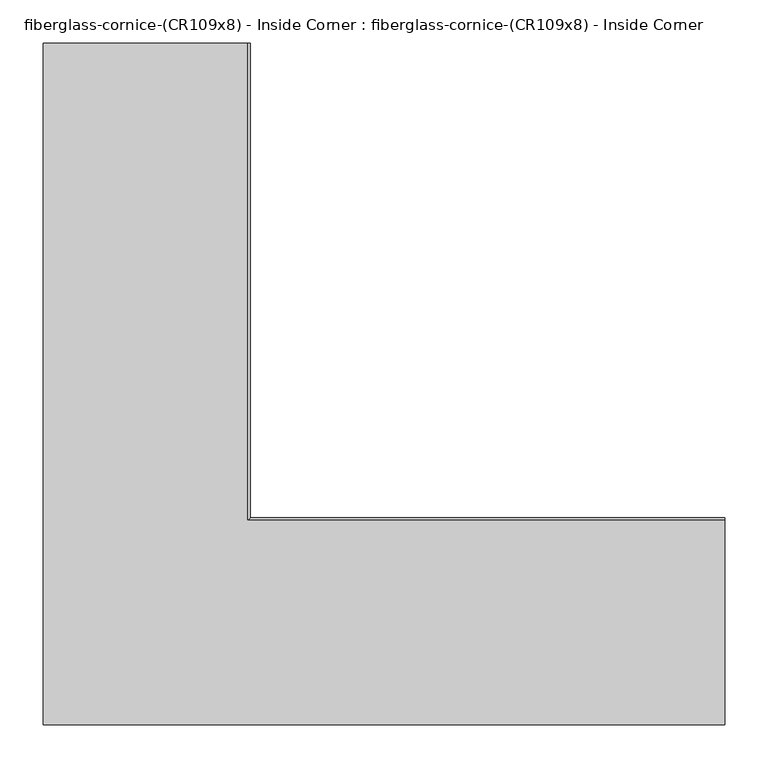
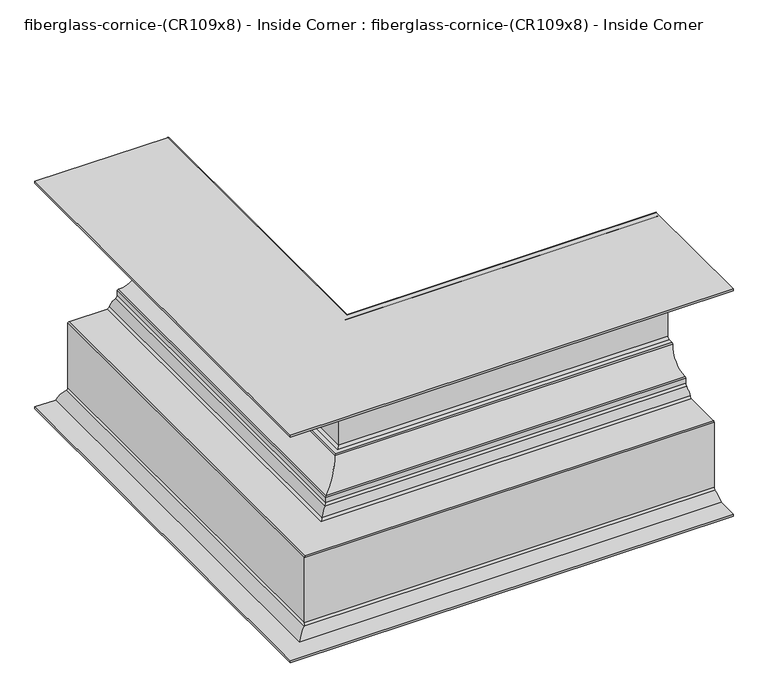
"""IFC4 building model written with IfcOpenShell, lengths in millimetres: furniture geometry, fiberglass-cornice-(CR109x8) - Inside Corner : fiberglass-cornice-(CR109x8) - Inside Corner."""

from ifc_helpers import new_model, si_unit, frame, origin, place, context, project, spatial, polyline, circle_curve, ellipse_curve, source, transform, mapped, element, save
from ifc_brep_helpers import plane_surface, cylinder_surface, revolved_surface, advanced_brep


def fiberglass_cornice_cr109x8_inside_corner_fiberglass_cornice_9822c4e0(model_context):
    return source(origin(), model_context, "Body", "AdvancedBrep", [
        advanced_brep(
        [(-393.6999938, 888.603125, 330.1999904), (-157.7062958, 888.603125, 330.1999904), (-154.5956878, 888.603125, 326.4317504), (-166.230936, 888.603125, 310.4524332), (-178.8666434, 888.603125, 293.0594054), (-182.0019039, 888.603125, 290.3851709), (-186.0485319, 888.603125, 290.3851606), (-189.2316044, 888.603125, 287.2101709), (-189.2317436, 888.603125, 114.5703226), (-192.3998302, 888.603125, 111.4250608), (-200.527539, 888.603125, 111.4250608), (-203.6925758, 888.603125, 108.502199), (-240.9463943, 888.603125, 71.7000635), (-243.9077995, 888.603125, 68.5105201), (-243.9077995, 888.603125, 60.0647517), (-246.506899, 888.603125, 56.9424353), (-258.5869665, 888.603125, 44.5595221), (-261.7225876, 888.603125, 41.8830253), (-326.9179931, 888.603125, 41.8830253), (-330.092778, 888.603125, 38.6710672), (-330.092778, 888.603125, -80.7520933), (-331.6793788, 888.603125, -82.3395923), (-333.8195981, 888.603125, -82.3395923), (-335.4080125, 888.603125, -83.9885744), (-336.8324372, 888.603125, -85.6292824), (-354.1653631, 888.603125, -95.8419813), (-356.7712777, 888.603125, -97.2031914), (-393.6999938, 888.603125, -97.2031914), (-393.6999938, 888.603125, -93.7106914), (-356.9365156, 888.603125, -93.7106914), (-337.7667904, 888.603125, -82.2204248), (-334.9054954, 888.603125, -78.7939943), (-334.9054954, 888.603125, 43.4705205), (-333.0004774, 888.603125, 45.3755253), (-265.4026393, 888.603125, 45.3755297), (-261.2162667, 888.603125, 48.3440768), (-250.2830001, 888.603125, 59.5045897), (-247.4003739, 888.603125, 63.6659613), (-247.4001548, 888.603125, 73.2126254), (-245.4036142, 888.603125, 75.1443007), (-207.0802744, 888.603125, 112.9468366), (-205.1728537, 888.603125, 114.9175502), (-197.1691749, 888.603125, 114.9175502), (-192.7241044, 888.603125, 119.3625536), (-192.7240989, 888.603125, 291.977227), (-190.8238472, 888.603125, 293.877665), (-185.7937477, 888.603125, 293.877665), (-181.5321185, 888.603125, 297.058719), (-167.8665786, 888.603125, 313.5386179), (-161.0335228, 888.603125, 319.778644), (-164.7197777, 888.603125, 326.7075017), (-393.6999938, 888.603125, 326.7075159), (393.6999938, 101.203125, 330.1999904), (393.6999938, 101.203125, 326.7075159), (393.6999938, 330.1831894, 326.7075159), (393.6999938, 333.8695961, 319.778644), (393.6999938, 327.0365403, 313.5386179), (393.6999938, 313.3710003, 297.058719), (393.6999938, 309.1094923, 293.8776709), (393.6999938, 304.0792717, 293.877665), (393.6999938, 302.1790199, 291.977227), (393.6999938, 302.1790199, 119.3625517), (393.6999938, 297.7340145, 114.9175536), (393.6999938, 289.7302652, 114.9175502), (393.6999938, 287.8228445, 112.9468366), (393.6999938, 249.4995046, 75.1443007), (393.6999938, 247.502964, 73.2126254), (393.6999938, 247.502964, 63.66596), (393.6999938, 244.6201188, 59.5045897), (393.6999938, 233.6868521, 48.3440768), (393.6999938, 229.5004796, 45.3755297), (393.6999938, 161.9025879, 45.3755297), (393.6999938, 159.9976415, 43.4705253), (393.6999938, 159.9976234, -78.7939943), (393.6999938, 157.1363285, -82.2204248), (393.6999938, 137.9666032, -93.7106914), (393.6999938, 101.203125, -93.7106914), (393.6999938, 101.203125, -97.2031914), (393.6999938, 138.1318412, -97.2031914), (393.6999938, 140.7377558, -95.8419813), (393.6999938, 158.0706816, -85.6292824), (393.6999938, 159.4951064, -83.9885744), (393.6999938, 161.0835207, -82.3395923), (393.6999938, 163.2237401, -82.3395923), (393.6999938, 164.8101258, -80.7520927), (393.6999938, 164.8103409, 38.6710672), (393.6999938, 167.9851258, 41.8830253), (393.6999938, 233.1805313, 41.8830253), (393.6999938, 236.3161523, 44.5595221), (393.6999938, 248.3962199, 56.9424353), (393.6999938, 250.995245, 60.0647546), (393.6999938, 250.9953194, 68.5105201), (393.6999938, 253.9567245, 71.7000635), (393.6999938, 291.2105431, 108.502199), (393.6999938, 294.3755151, 111.4250536), (393.6999938, 302.5032886, 111.4250608), (393.6999938, 305.6713753, 114.5703226), (393.6999938, 305.6713753, 287.2101702), (393.6999938, 308.854587, 290.3851606), (393.6999938, 312.9011803, 290.3851606), (393.6999938, 316.0364755, 293.0594054), (393.6999938, 328.6721828, 310.4524332), (393.6999938, 340.307431, 326.4317504), (393.6999938, 337.1968231, 330.1999904), (-393.6999938, 101.203125, 330.1999904), (-157.7062958, 337.1968231, 330.1999904), (-154.5956878, 340.307431, 326.4317504), (-166.230936, 328.6721828, 310.4524332), (-178.8666434, 316.0364755, 293.0594054), (-182.0019039, 312.9012149, 290.3851709), (-186.0485319, 308.854587, 290.3851606), (-189.2316044, 305.6715145, 287.2101709), (-189.2317436, 305.6713753, 114.5703226), (-192.3998302, 302.5032886, 111.4250608), (-200.5276038, 294.3755151, 111.4250608), (-203.6925758, 291.2105431, 108.502199), (-240.9463943, 253.9567245, 71.7000635), (-243.9077995, 250.9953194, 68.5105201), (-243.9077995, 250.9953194, 60.0647517), (-246.506899, 248.3962199, 56.9424353), (-258.5869665, 236.3161523, 44.5595221), (-261.7225876, 233.1805313, 41.8830253), (-326.9179931, 167.9851258, 41.8830253), (-330.092778, 164.8103409, 38.6710672), (-330.092778, 164.8103409, -80.7520933), (-331.6793788, 163.2237401, -82.3395923), (-333.8195981, 161.0835207, -82.3395923), (-335.4080125, 159.4951064, -83.9885744), (-336.8324372, 158.0706816, -85.6292824), (-354.1653631, 140.7377558, -95.8419813), (-356.7712777, 138.1318412, -97.2031914), (-393.6999938, 101.203125, -97.2031914), (-393.6999938, 101.203125, -93.7106914), (-356.9365156, 137.9666032, -93.7106914), (-337.7667904, 157.1363285, -82.2204248), (-334.9054954, 159.9976234, -78.7939943), (-334.9054954, 159.9976234, 43.4705205), (-333.0004774, 161.9026415, 45.3755253), (-265.4026393, 229.5004796, 45.3755297), (-261.2162667, 233.6868521, 48.3440768), (-250.2830001, 244.6201188, 59.5045897), (-247.4003739, 247.502745, 63.6659613), (-247.4001548, 247.502964, 73.2126254), (-245.4036142, 249.4995046, 75.1443007), (-207.0802744, 287.8228445, 112.9468366), (-205.1728537, 289.7302652, 114.9175502), (-197.1691044, 297.7340145, 114.9175502), (-192.7241044, 302.1790145, 119.3625536), (-192.7240989, 302.1790199, 291.977227), (-190.8238472, 304.0792717, 293.877665), (-185.7936266, 309.1094923, 293.877665), (-181.5321185, 313.3710003, 297.058719), (-167.8665786, 327.0365403, 313.5386179), (-161.0335228, 333.8695961, 319.778644), (-164.7197777, 330.1833411, 326.7075017), (-393.6999938, 101.203125, 326.7075159)],
        [
            (0, 1),
            (1, 2, circle_curve(frame((-157.7147707, 888.603125, 327.0250017), z_axis=(0.0, 1.0, 0.0), x_axis=(1.0, 0.0, 0.0)), 3.175)),
            (2, 3, circle_curve(frame((-177.3224682, 888.603125, 330.754397), z_axis=(0.0, 1.0, 0.0), x_axis=(1.0, 0.0, 0.0)), 23.1342132)),
            (3, 4, circle_curve(frame((-155.4240919, 888.603125, 289.3151486), z_axis=(0.0, -1.0, 0.0), x_axis=(1.0, 0.0, 0.0)), 23.7396857)),
            (4, 5, circle_curve(frame((-182.0019039, 888.603125, 293.5601709), z_axis=(0.0, 1.0, 0.0), x_axis=(1.0, 0.0, 0.0)), 3.175)),
            (5, 6),
            (6, 7, circle_curve(frame((-186.0566044, 888.603125, 287.2101709), z_axis=(0.0, -1.0, 0.0), x_axis=(1.0, 0.0, 0.0)), 3.175)),
            (7, 8),
            (8, 9, circle_curve(frame((-192.4066044, 888.603125, 114.6000536), z_axis=(0.0, 1.0, 0.0), x_axis=(1.0, 0.0, 0.0)), 3.175)),
            (9, 10),
            (10, 11, circle_curve(frame((-200.5276038, 888.603125, 108.2500536), z_axis=(0.0, -1.0, 0.0), x_axis=(1.0, 0.0, 0.0)), 3.175)),
            (11, 12, circle_curve(frame((-243.6414928, 888.603125, 111.6848301), z_axis=(0.0, 1.0, 0.0), x_axis=(1.0, 0.0, 0.0)), 40.0754927)),
            (12, 13, circle_curve(frame((-240.7328739, 888.603125, 68.5322513), z_axis=(0.0, -1.0, 0.0), x_axis=(1.0, 0.0, 0.0)), 3.175)),
            (13, 14),
            (14, 15, circle_curve(frame((-247.0828739, 888.603125, 60.0647546), z_axis=(0.0, 1.0, 0.0), x_axis=(1.0, 0.0, 0.0)), 3.175)),
            (15, 16, circle_curve(frame((-243.7886267, 888.603125, 42.2068722), z_axis=(0.0, -1.0, 0.0), x_axis=(1.0, 0.0, 0.0)), 14.9841858)),
            (16, 17, circle_curve(frame((-261.7225876, 888.603125, 45.0580253), z_axis=(0.0, 1.0, 0.0), x_axis=(1.0, 0.0, 0.0)), 3.175)),
            (17, 18),
            (18, 19, circle_curve(frame((-326.9179931, 888.603125, 38.7080253), z_axis=(0.0, -1.0, 0.0), x_axis=(1.0, 0.0, 0.0)), 3.175)),
            (19, 20),
            (20, 21, circle_curve(frame((-331.6804931, 888.603125, -80.7520927), z_axis=(0.0, 1.0, 0.0), x_axis=(1.0, 0.0, 0.0)), 1.5875)),
            (21, 22),
            (22, 23, circle_curve(frame((-333.8217036, 888.603125, -83.9270909), z_axis=(0.0, -1.0, 0.0), x_axis=(1.0, 0.0, 0.0)), 1.5875)),
            (23, 24, circle_curve(frame((-336.9943214, 888.603125, -84.050058), z_axis=(0.0, 1.0, 0.0), x_axis=(1.0, 0.0, 0.0)), 1.5875)),
            (24, 25, circle_curve(frame((-334.373413, 888.603125, -109.6177358), z_axis=(0.0, -1.0, 0.0), x_axis=(1.0, 0.0, 0.0)), 24.1141597)),
            (25, 26, circle_curve(frame((-356.7712777, 888.603125, -94.0281914), z_axis=(0.0, 1.0, 0.0), x_axis=(1.0, 0.0, 0.0)), 3.175)),
            (26, 27),
            (27, 28),
            (28, 29),
            (29, 30, circle_curve(frame((-334.373413, 888.603125, -109.6177358), z_axis=(0.0, 1.0, 0.0), x_axis=(1.0, 0.0, 0.0)), 27.6066597)),
            (30, 31, circle_curve(frame((-338.4011808, 888.603125, -78.7827671), z_axis=(0.0, -1.0, 0.0), x_axis=(1.0, 0.0, 0.0)), 3.4957034)),
            (31, 32),
            (32, 33, circle_curve(frame((-333.0004774, 888.603125, 43.4705253), z_axis=(0.0, 1.0, 0.0), x_axis=(1.0, 0.0, 0.0)), 1.905)),
            (33, 34),
            (34, 35, circle_curve(frame((-265.4088942, 888.603125, 49.8205253), z_axis=(0.0, -1.0, 0.0), x_axis=(1.0, 0.0, 0.0)), 4.445)),
            (35, 36, circle_curve(frame((-243.7886267, 888.603125, 42.2068722), z_axis=(0.0, 1.0, 0.0), x_axis=(1.0, 0.0, 0.0)), 18.4766858)),
            (36, 37, circle_curve(frame((-251.8453739, 888.603125, 63.6659613), z_axis=(0.0, -1.0, 0.0), x_axis=(1.0, 0.0, 0.0)), 4.445)),
            (37, 38),
            (38, 39, circle_curve(frame((-245.4953739, 888.603125, 73.2415119), z_axis=(0.0, 1.0, 0.0), x_axis=(1.0, 0.0, 0.0)), 1.905)),
            (39, 40, circle_curve(frame((-243.6414928, 888.603125, 111.6848301), z_axis=(0.0, -1.0, 0.0), x_axis=(1.0, 0.0, 0.0)), 36.5829927)),
            (40, 41, circle_curve(frame((-205.1764082, 888.603125, 113.0125536), z_axis=(0.0, 1.0, 0.0), x_axis=(1.0, 0.0, 0.0)), 1.905)),
            (41, 42),
            (42, 43, circle_curve(frame((-197.1691044, 888.603125, 119.3625536), z_axis=(0.0, -1.0, 0.0), x_axis=(1.0, 0.0, 0.0)), 4.445)),
            (43, 44),
            (44, 45, circle_curve(frame((-190.8191044, 888.603125, 291.9726709), z_axis=(0.0, 1.0, 0.0), x_axis=(1.0, 0.0, 0.0)), 1.905)),
            (45, 46),
            (46, 47, circle_curve(frame((-185.7936266, 888.603125, 298.3226709), z_axis=(0.0, -1.0, 0.0), x_axis=(1.0, 0.0, 0.0)), 4.445)),
            (47, 48, circle_curve(frame((-155.4240919, 888.603125, 289.3151486), z_axis=(0.0, 1.0, 0.0), x_axis=(1.0, 0.0, 0.0)), 27.2321857)),
            (48, 49, circle_curve(frame((-177.3224682, 888.603125, 330.754397), z_axis=(0.0, -1.0, 0.0), x_axis=(1.0, 0.0, 0.0)), 19.6417132)),
            (49, 50, circle_curve(frame((-164.7197777, 888.603125, 322.2625017), z_axis=(0.0, -1.0, 0.0), x_axis=(1.0, 0.0, 0.0)), 4.445)),
            (50, 51),
            (51, 0),
            (52, 53),
            (53, 54),
            (54, 55, circle_curve(frame((393.6999938, 330.1833411, 322.2625017), z_axis=(-1.0, 0.0, 0.0), x_axis=(0.0, 1.0, 0.0)), 4.445)),
            (55, 56, circle_curve(frame((393.6999938, 317.5806506, 330.754397), z_axis=(-1.0, 0.0, 0.0), x_axis=(0.0, 1.0, 0.0)), 19.6417132)),
            (56, 57, circle_curve(frame((393.6999938, 339.4790269, 289.3151486), z_axis=(1.0, 0.0, 0.0), x_axis=(0.0, 1.0, 0.0)), 27.2321857)),
            (57, 58, circle_curve(frame((393.6999938, 309.1094923, 298.3226709), z_axis=(-1.0, 0.0, 0.0), x_axis=(0.0, 1.0, 0.0)), 4.445)),
            (58, 59),
            (59, 60, circle_curve(frame((393.6999938, 304.0840145, 291.9726709), z_axis=(1.0, 0.0, 0.0), x_axis=(0.0, 1.0, 0.0)), 1.905)),
            (60, 61),
            (61, 62, circle_curve(frame((393.6999938, 297.7340145, 119.3625536), z_axis=(-1.0, 0.0, 0.0), x_axis=(0.0, 1.0, 0.0)), 4.445)),
            (62, 63),
            (63, 64, circle_curve(frame((393.6999938, 289.7267106, 113.0125536), z_axis=(1.0, 0.0, 0.0), x_axis=(0.0, 1.0, 0.0)), 1.905)),
            (64, 65, circle_curve(frame((393.6999938, 251.261626, 111.6848301), z_axis=(-1.0, 0.0, 0.0), x_axis=(0.0, 1.0, 0.0)), 36.5829927)),
            (65, 66, circle_curve(frame((393.6999938, 249.407745, 73.2415119), z_axis=(1.0, 0.0, 0.0), x_axis=(0.0, 1.0, 0.0)), 1.905)),
            (66, 67),
            (67, 68, circle_curve(frame((393.6999938, 243.057745, 63.6659613), z_axis=(-1.0, 0.0, 0.0), x_axis=(0.0, 1.0, 0.0)), 4.445)),
            (68, 69, circle_curve(frame((393.6999938, 251.1144922, 42.2068722), z_axis=(1.0, 0.0, 0.0), x_axis=(0.0, 1.0, 0.0)), 18.4766858)),
            (69, 70, circle_curve(frame((393.6999938, 229.4942247, 49.8205253), z_axis=(-1.0, 0.0, 0.0), x_axis=(0.0, 1.0, 0.0)), 4.445)),
            (70, 71),
            (71, 72, circle_curve(frame((393.6999938, 161.9026415, 43.4705253), z_axis=(1.0, 0.0, 0.0), x_axis=(0.0, 1.0, 0.0)), 1.905)),
            (72, 73),
            (73, 74, circle_curve(frame((393.6999938, 156.5019381, -78.7827671), z_axis=(-1.0, 0.0, 0.0), x_axis=(0.0, 1.0, 0.0)), 3.4957034)),
            (74, 75, circle_curve(frame((393.6999938, 160.5297058, -109.6177358), z_axis=(1.0, 0.0, 0.0), x_axis=(0.0, 1.0, 0.0)), 27.6066597)),
            (75, 76),
            (76, 77),
            (77, 78),
            (78, 79, circle_curve(frame((393.6999938, 138.1318412, -94.0281914), z_axis=(1.0, 0.0, 0.0), x_axis=(0.0, 1.0, 0.0)), 3.175)),
            (79, 80, circle_curve(frame((393.6999938, 160.5297058, -109.6177358), z_axis=(-1.0, 0.0, 0.0), x_axis=(0.0, 1.0, 0.0)), 24.1141597)),
            (80, 81, circle_curve(frame((393.6999938, 157.9087974, -84.050058), z_axis=(1.0, 0.0, 0.0), x_axis=(0.0, 1.0, 0.0)), 1.5875)),
            (81, 82, circle_curve(frame((393.6999938, 161.0814153, -83.9270909), z_axis=(-1.0, 0.0, 0.0), x_axis=(0.0, 1.0, 0.0)), 1.5875)),
            (82, 83),
            (83, 84, circle_curve(frame((393.6999938, 163.2226258, -80.7520927), z_axis=(1.0, 0.0, 0.0), x_axis=(0.0, 1.0, 0.0)), 1.5875)),
            (84, 85),
            (85, 86, circle_curve(frame((393.6999938, 167.9851258, 38.7080253), z_axis=(-1.0, 0.0, 0.0), x_axis=(0.0, 1.0, 0.0)), 3.175)),
            (86, 87),
            (87, 88, circle_curve(frame((393.6999938, 233.1805313, 45.0580253), z_axis=(1.0, 0.0, 0.0), x_axis=(0.0, 1.0, 0.0)), 3.175)),
            (88, 89, circle_curve(frame((393.6999938, 251.1144922, 42.2068722), z_axis=(-1.0, 0.0, 0.0), x_axis=(0.0, 1.0, 0.0)), 14.9841858)),
            (89, 90, circle_curve(frame((393.6999938, 247.820245, 60.0647546), z_axis=(1.0, 0.0, 0.0), x_axis=(0.0, 1.0, 0.0)), 3.175)),
            (90, 91),
            (91, 92, circle_curve(frame((393.6999938, 254.170245, 68.5322513), z_axis=(-1.0, 0.0, 0.0), x_axis=(0.0, 1.0, 0.0)), 3.175)),
            (92, 93, circle_curve(frame((393.6999938, 251.261626, 111.6848301), z_axis=(1.0, 0.0, 0.0), x_axis=(0.0, 1.0, 0.0)), 40.0754927)),
            (93, 94, circle_curve(frame((393.6999938, 294.3755151, 108.2500536), z_axis=(-1.0, 0.0, 0.0), x_axis=(0.0, 1.0, 0.0)), 3.175)),
            (94, 95),
            (95, 96, circle_curve(frame((393.6999938, 302.4965145, 114.6000536), z_axis=(1.0, 0.0, 0.0), x_axis=(0.0, 1.0, 0.0)), 3.175)),
            (96, 97),
            (97, 98, circle_curve(frame((393.6999938, 308.8465145, 287.2101709), z_axis=(-1.0, 0.0, 0.0), x_axis=(0.0, 1.0, 0.0)), 3.175)),
            (98, 99),
            (99, 100, circle_curve(frame((393.6999938, 312.9012149, 293.5601709), z_axis=(1.0, 0.0, 0.0), x_axis=(0.0, 1.0, 0.0)), 3.175)),
            (100, 101, circle_curve(frame((393.6999938, 339.4790269, 289.3151486), z_axis=(-1.0, 0.0, 0.0), x_axis=(0.0, 1.0, 0.0)), 23.7396857)),
            (101, 102, circle_curve(frame((393.6999938, 317.5806506, 330.754397), z_axis=(1.0, 0.0, 0.0), x_axis=(0.0, 1.0, 0.0)), 23.1342132)),
            (102, 103, circle_curve(frame((393.6999938, 337.1883482, 327.0250017), z_axis=(1.0, 0.0, 0.0), x_axis=(0.0, 1.0, 0.0)), 3.175)),
            (103, 52),
            (0, 104),
            (104, 52),
            (103, 105),
            (105, 1),
            (105, 106, ellipse_curve(frame((-157.7147707, 337.1883482, 327.0250017), z_axis=(-0.7071067811865475, 0.7071067811865475, 0.0), x_axis=(0.7071067811865474, 0.7071067811865476, 0.0)), 4.4901281, 3.175)),
            (106, 2),
            (106, 107, ellipse_curve(frame((-177.3224682, 317.5806506, 330.754397), z_axis=(-0.7071067811865475, 0.7071067811865475, 0.0), x_axis=(0.7071067811865474, 0.7071067811865476, 0.0)), 32.7167181, 23.1342132)),
            (107, 3),
            (107, 108, ellipse_curve(frame((-155.4240919, 339.4790269, 289.3151486), z_axis=(0.7071067811865475, -0.7071067811865475, 0.0), x_axis=(-0.7071067811865474, -0.7071067811865476, 0.0)), 33.5729855, 23.7396857)),
            (108, 4),
            (108, 109, ellipse_curve(frame((-182.0019039, 312.9012149, 293.5601709), z_axis=(-0.7071067811865475, 0.7071067811865475, 0.0), x_axis=(0.7071067811865474, 0.7071067811865476, 0.0)), 4.4901281, 3.175)),
            (109, 5),
            (109, 99),
            (98, 110),
            (110, 6),
            (110, 111, ellipse_curve(frame((-186.0566044, 308.8465145, 287.2101709), z_axis=(0.7071067811865475, -0.7071067811865475, 0.0), x_axis=(-0.7071067811865474, -0.7071067811865476, 0.0)), 4.4901281, 3.175)),
            (111, 7),
            (111, 112),
            (112, 8),
            (112, 113, ellipse_curve(frame((-192.4066044, 302.4965145, 114.6000536), z_axis=(-0.7071067811865475, 0.7071067811865475, 0.0), x_axis=(0.7071067811865474, 0.7071067811865476, 0.0)), 4.4901281, 3.175)),
            (113, 9),
            (113, 95),
            (94, 114),
            (114, 10),
            (114, 115, ellipse_curve(frame((-200.5276038, 294.3755151, 108.2500536), z_axis=(0.7071067811865475, -0.7071067811865475, 0.0), x_axis=(-0.7071067811865474, -0.7071067811865476, 0.0)), 4.4901281, 3.175)),
            (115, 11),
            (115, 116, ellipse_curve(frame((-243.6414928, 251.261626, 111.6848301), z_axis=(-0.7071067811865475, 0.7071067811865475, 0.0), x_axis=(0.7071067811865474, 0.7071067811865476, 0.0)), 56.6753053, 40.0754927)),
            (116, 12),
            (116, 117, ellipse_curve(frame((-240.7328739, 254.170245, 68.5322513), z_axis=(0.7071067811865475, -0.7071067811865475, 0.0), x_axis=(-0.7071067811865474, -0.7071067811865476, 0.0)), 4.4901281, 3.175)),
            (117, 13),
            (117, 118),
            (118, 14),
            (118, 119, ellipse_curve(frame((-247.0828739, 247.820245, 60.0647546), z_axis=(-0.7071067811865475, 0.7071067811865475, 0.0), x_axis=(0.7071067811865474, 0.7071067811865476, 0.0)), 4.4901281, 3.175)),
            (119, 15),
            (119, 120, ellipse_curve(frame((-243.7886267, 251.1144922, 42.2068722), z_axis=(0.7071067811865475, -0.7071067811865475, 0.0), x_axis=(-0.7071067811865474, -0.7071067811865476, 0.0)), 21.1908387, 14.9841858)),
            (120, 16),
            (120, 121, ellipse_curve(frame((-261.7225876, 233.1805313, 45.0580253), z_axis=(-0.7071067811865475, 0.7071067811865475, 0.0), x_axis=(0.7071067811865474, 0.7071067811865476, 0.0)), 4.4901281, 3.175)),
            (121, 17),
            (121, 87),
            (86, 122),
            (122, 18),
            (122, 123, ellipse_curve(frame((-326.9179931, 167.9851258, 38.7080253), z_axis=(0.7071067811865475, -0.7071067811865475, 0.0), x_axis=(-0.7071067811865474, -0.7071067811865476, 0.0)), 4.4901281, 3.175)),
            (123, 19),
            (123, 124),
            (124, 20),
            (124, 125, ellipse_curve(frame((-331.6804931, 163.2226258, -80.7520927), z_axis=(-0.7071067811865475, 0.7071067811865475, 0.0), x_axis=(0.7071067811865474, 0.7071067811865476, 0.0)), 2.245064, 1.5875)),
            (125, 21),
            (125, 83),
            (82, 126),
            (126, 22),
            (126, 127, ellipse_curve(frame((-333.8217036, 161.0814153, -83.9270909), z_axis=(0.7071067811865475, -0.7071067811865475, 0.0), x_axis=(-0.7071067811865474, -0.7071067811865476, 0.0)), 2.245064, 1.5875)),
            (127, 23),
            (127, 128, ellipse_curve(frame((-336.9943214, 157.9087974, -84.050058), z_axis=(-0.7071067811865475, 0.7071067811865475, 0.0), x_axis=(0.7071067811865474, 0.7071067811865476, 0.0)), 2.245064, 1.5875)),
            (128, 24),
            (128, 129, ellipse_curve(frame((-334.373413, 160.5297058, -109.6177358), z_axis=(0.7071067811865475, -0.7071067811865475, 0.0), x_axis=(-0.7071067811865474, -0.7071067811865476, 0.0)), 34.1025717, 24.1141597)),
            (129, 25),
            (129, 130, ellipse_curve(frame((-356.7712777, 138.1318412, -94.0281914), z_axis=(-0.7071067811865475, 0.7071067811865475, 0.0), x_axis=(0.7071067811865474, 0.7071067811865476, 0.0)), 4.4901281, 3.175)),
            (130, 26),
            (130, 78),
            (77, 131),
            (131, 27),
            (131, 132),
            (132, 28),
            (132, 76),
            (75, 133),
            (133, 29),
            (133, 134, ellipse_curve(frame((-334.373413, 160.5297058, -109.6177358), z_axis=(-0.7071067811865475, 0.7071067811865475, 0.0), x_axis=(0.7071067811865474, 0.7071067811865476, 0.0)), 39.0417125, 27.6066597)),
            (134, 30),
            (134, 135, ellipse_curve(frame((-338.4011808, 156.5019381, -78.7827671), z_axis=(0.7071067811865475, -0.7071067811865475, 0.0), x_axis=(-0.7071067811865474, -0.7071067811865476, 0.0)), 4.9436711, 3.4957034)),
            (135, 31),
            (135, 136),
            (136, 32),
            (136, 137, ellipse_curve(frame((-333.0004774, 161.9026415, 43.4705253), z_axis=(-0.7071067811865475, 0.7071067811865475, 0.0), x_axis=(0.7071067811865474, 0.7071067811865476, 0.0)), 2.6940768, 1.905)),
            (137, 33),
            (137, 71),
            (70, 138),
            (138, 34),
            (138, 139, ellipse_curve(frame((-265.4088942, 229.4942247, 49.8205253), z_axis=(0.7071067811865475, -0.7071067811865475, 0.0), x_axis=(-0.7071067811865474, -0.7071067811865476, 0.0)), 6.2861793, 4.445)),
            (139, 35),
            (139, 140, ellipse_curve(frame((-243.7886267, 251.1144922, 42.2068722), z_axis=(-0.7071067811865475, 0.7071067811865475, 0.0), x_axis=(0.7071067811865474, 0.7071067811865476, 0.0)), 26.1299796, 18.4766858)),
            (140, 36),
            (140, 141, ellipse_curve(frame((-251.8453739, 243.057745, 63.6659613), z_axis=(0.7071067811865475, -0.7071067811865475, 0.0), x_axis=(-0.7071067811865474, -0.7071067811865476, 0.0)), 6.2861793, 4.445)),
            (141, 37),
            (141, 142),
            (142, 38),
            (142, 143, ellipse_curve(frame((-245.4953739, 249.407745, 73.2415119), z_axis=(-0.7071067811865475, 0.7071067811865475, 0.0), x_axis=(0.7071067811865474, 0.7071067811865476, 0.0)), 2.6940768, 1.905)),
            (143, 39),
            (143, 144, ellipse_curve(frame((-243.6414928, 251.261626, 111.6848301), z_axis=(0.7071067811865475, -0.7071067811865475, 0.0), x_axis=(-0.7071067811865474, -0.7071067811865476, 0.0)), 51.7361644, 36.5829927)),
            (144, 40),
            (144, 145, ellipse_curve(frame((-205.1764082, 289.7267106, 113.0125536), z_axis=(-0.7071067811865475, 0.7071067811865475, 0.0), x_axis=(0.7071067811865474, 0.7071067811865476, 0.0)), 2.6940768, 1.905)),
            (145, 41),
            (145, 63),
            (62, 146),
            (146, 42),
            (146, 147, ellipse_curve(frame((-197.1691044, 297.7340145, 119.3625536), z_axis=(0.7071067811865475, -0.7071067811865475, 0.0), x_axis=(-0.7071067811865474, -0.7071067811865476, 0.0)), 6.2861793, 4.445)),
            (147, 43),
            (147, 148),
            (148, 44),
            (148, 149, ellipse_curve(frame((-190.8191044, 304.0840145, 291.9726709), z_axis=(-0.7071067811865475, 0.7071067811865475, 0.0), x_axis=(0.7071067811865474, 0.7071067811865476, 0.0)), 2.6940768, 1.905)),
            (149, 45),
            (149, 59),
            (58, 150),
            (150, 46),
            (150, 151, ellipse_curve(frame((-185.7936266, 309.1094923, 298.3226709), z_axis=(0.7071067811865475, -0.7071067811865475, 0.0), x_axis=(-0.7071067811865474, -0.7071067811865476, 0.0)), 6.2861793, 4.445)),
            (151, 47),
            (151, 152, ellipse_curve(frame((-155.4240919, 339.4790269, 289.3151486), z_axis=(-0.7071067811865475, 0.7071067811865475, 0.0), x_axis=(0.7071067811865474, 0.7071067811865476, 0.0)), 38.5121263, 27.2321857)),
            (152, 48),
            (152, 153, ellipse_curve(frame((-177.3224682, 317.5806506, 330.754397), z_axis=(0.7071067811865475, -0.7071067811865475, 0.0), x_axis=(-0.7071067811865474, -0.7071067811865476, 0.0)), 27.7775772, 19.6417132)),
            (153, 49),
            (153, 154, ellipse_curve(frame((-164.7197777, 330.1833411, 322.2625017), z_axis=(0.7071067811865475, -0.7071067811865475, 0.0), x_axis=(-0.7071067811865474, -0.7071067811865476, 0.0)), 6.2861793, 4.445)),
            (154, 50),
            (154, 54),
            (53, 155),
            (155, 51),
            (155, 104),
            (102, 106),
            (101, 107),
            (100, 108),
            (97, 111),
            (96, 112),
            (93, 115),
            (92, 116),
            (91, 117),
            (90, 118),
            (89, 119),
            (88, 120),
            (85, 123),
            (84, 124),
            (81, 127),
            (80, 128),
            (79, 129),
            (74, 134),
            (73, 135),
            (72, 136),
            (69, 139),
            (68, 140),
            (67, 141),
            (66, 142),
            (65, 143),
            (64, 144),
            (61, 147),
            (60, 148),
            (57, 151),
            (56, 152),
            (55, 153),
        ],
        [
            plane_surface(frame((-393.6999938, 888.603125, 330.1999904), z_axis=(0.0, 1.0, 0.0), x_axis=(0.0, 0.0, 1.0))),
            plane_surface(frame((393.6999938, 101.203125, 330.1999904), z_axis=(1.0, 0.0, 0.0), x_axis=(0.0, 0.0, 1.0))),
            plane_surface(frame((-393.6999938, 888.603125, 330.1999904), z_axis=(0.0, 0.0, 1.0), x_axis=(0.0, -1.0, 0.0))),
            cylinder_surface(frame((-157.7147707, 888.603125, 327.0250017), z_axis=(0.0, 1.0, 0.0), x_axis=(1.0, 0.0, 0.0)), 3.175),
            cylinder_surface(frame((-177.3224682, 888.603125, 330.754397), z_axis=(0.0, 1.0, 0.0), x_axis=(1.0, 0.0, 0.0)), 23.1342132),
            revolved_surface(polyline([(-131.6844062, 315.7393411882724, 289.3151486), (-131.6844062, 888.603125, 289.3151486)]), (-155.4240919, 888.603125, 289.3151486), (0.0, -1.0, 0.0)),
            cylinder_surface(frame((-182.0019039, 888.603125, 293.5601709), z_axis=(0.0, 1.0, 0.0), x_axis=(1.0, 0.0, 0.0)), 3.175),
            plane_surface(frame((-182.0019386, 888.603125, 290.3851606), z_axis=(0.0, 0.0, -1.0), x_axis=(0.0, -1.0, 0.0))),
            revolved_surface(polyline([(-182.8816044, 305.6715144720937, 287.2101709), (-182.8816044, 888.603125, 287.2101709)]), (-186.0566044, 888.603125, 287.2101709), (0.0, -1.0, 0.0)),
            plane_surface(frame((-189.2317436, 888.603125, 287.2101702), z_axis=(1.0, 0.0, 0.0), x_axis=(0.0, -1.0, 0.0))),
            cylinder_surface(frame((-192.4066044, 888.603125, 114.6000536), z_axis=(0.0, 1.0, 0.0), x_axis=(1.0, 0.0, 0.0)), 3.175),
            plane_surface(frame((-192.3998302, 888.603125, 111.4250608), z_axis=(0.0, 0.0, -1.0), x_axis=(0.0, -1.0, 0.0))),
            revolved_surface(polyline([(-197.3526038, 291.2005150720936, 108.2500536), (-197.3526038, 888.603125, 108.2500536)]), (-200.5276038, 888.603125, 108.2500536), (0.0, -1.0, 0.0)),
            cylinder_surface(frame((-243.6414928, 888.603125, 111.6848301), z_axis=(0.0, 1.0, 0.0), x_axis=(1.0, 0.0, 0.0)), 40.0754927),
            revolved_surface(polyline([(-237.55787389999998, 250.9952449720937, 68.5322513), (-237.55787389999998, 888.603125, 68.5322513)]), (-240.7328739, 888.603125, 68.5322513), (0.0, -1.0, 0.0)),
            plane_surface(frame((-243.9077995, 888.603125, 68.5105201), z_axis=(1.0, 0.0, 0.0), x_axis=(0.0, -1.0, 0.0))),
            cylinder_surface(frame((-247.0828739, 888.603125, 60.0647546), z_axis=(0.0, 1.0, 0.0), x_axis=(1.0, 0.0, 0.0)), 3.175),
            revolved_surface(polyline([(-228.8044409, 236.1303064561996, 42.2068722), (-228.8044409, 888.603125, 42.2068722)]), (-243.7886267, 888.603125, 42.2068722), (0.0, -1.0, 0.0)),
            cylinder_surface(frame((-261.7225876, 888.603125, 45.0580253), z_axis=(0.0, 1.0, 0.0), x_axis=(1.0, 0.0, 0.0)), 3.175),
            plane_surface(frame((-261.7225876, 888.603125, 41.8830253), z_axis=(0.0, 0.0, -1.0), x_axis=(0.0, -1.0, 0.0))),
            revolved_surface(polyline([(-323.7429931, 164.81012577209367, 38.7080253), (-323.7429931, 888.603125, 38.7080253)]), (-326.9179931, 888.603125, 38.7080253), (0.0, -1.0, 0.0)),
            plane_surface(frame((-330.092778, 888.603125, 38.6710672), z_axis=(1.0, 0.0, 0.0), x_axis=(0.0, -1.0, 0.0))),
            cylinder_surface(frame((-331.6804931, 888.603125, -80.7520927), z_axis=(0.0, 1.0, 0.0), x_axis=(1.0, 0.0, 0.0)), 1.5875),
            plane_surface(frame((-331.6793788, 888.603125, -82.3395923), z_axis=(0.0, 0.0, -1.0), x_axis=(0.0, -1.0, 0.0))),
            revolved_surface(polyline([(-332.2342036, 159.49391532140226, -83.9270909), (-332.2342036, 888.603125, -83.9270909)]), (-333.8217036, 888.603125, -83.9270909), (0.0, -1.0, 0.0)),
            cylinder_surface(frame((-336.9943214, 888.603125, -84.050058), z_axis=(0.0, 1.0, 0.0), x_axis=(1.0, 0.0, 0.0)), 1.5875),
            revolved_surface(polyline([(-310.2592533, 136.41554609502953, -109.6177358), (-310.2592533, 888.603125, -109.6177358)]), (-334.373413, 888.603125, -109.6177358), (0.0, -1.0, 0.0)),
            cylinder_surface(frame((-356.7712777, 888.603125, -94.0281914), z_axis=(0.0, 1.0, 0.0), x_axis=(1.0, 0.0, 0.0)), 3.175),
            plane_surface(frame((-356.7712777, 888.603125, -97.2031914), z_axis=(0.0, 0.0, -1.0), x_axis=(0.0, -1.0, 0.0))),
            plane_surface(frame((-393.6999938, 888.603125, -97.2031914), z_axis=(-1.0, 0.0, 0.0), x_axis=(0.0, -1.0, 0.0))),
            plane_surface(frame((-393.6999938, 888.603125, -93.7106914), z_axis=(0.0, 0.0, 1.0), x_axis=(0.0, -1.0, 0.0))),
            cylinder_surface(frame((-334.373413, 888.603125, -109.6177358), z_axis=(0.0, 1.0, 0.0), x_axis=(1.0, 0.0, 0.0)), 27.6066597),
            revolved_surface(polyline([(-334.9054774, 153.00623474123404, -78.7827671), (-334.9054774, 888.603125, -78.7827671)]), (-338.4011808, 888.603125, -78.7827671), (0.0, -1.0, 0.0)),
            plane_surface(frame((-334.9054954, 888.603125, -78.7939943), z_axis=(-1.0, 0.0, 0.0), x_axis=(0.0, -1.0, 0.0))),
            cylinder_surface(frame((-333.0004774, 888.603125, 43.4705253), z_axis=(0.0, 1.0, 0.0), x_axis=(1.0, 0.0, 0.0)), 1.905),
            plane_surface(frame((-333.000531, 888.603125, 45.3755297), z_axis=(0.0, 0.0, 1.0), x_axis=(0.0, -1.0, 0.0))),
            revolved_surface(polyline([(-260.9638942, 225.04922468921552, 49.8205253), (-260.9638942, 888.603125, 49.8205253)]), (-265.4088942, 888.603125, 49.8205253), (0.0, -1.0, 0.0)),
            cylinder_surface(frame((-243.7886267, 888.603125, 42.2068722), z_axis=(0.0, 1.0, 0.0), x_axis=(1.0, 0.0, 0.0)), 18.4766858),
            revolved_surface(polyline([(-247.4003739, 238.61274498921546, 63.6659613), (-247.4003739, 888.603125, 63.6659613)]), (-251.8453739, 888.603125, 63.6659613), (0.0, -1.0, 0.0)),
            plane_surface(frame((-247.4001548, 888.603125, 63.66596), z_axis=(-1.0, 0.0, 0.0), x_axis=(0.0, -1.0, 0.0))),
            cylinder_surface(frame((-245.4953739, 888.603125, 73.2415119), z_axis=(0.0, 1.0, 0.0), x_axis=(1.0, 0.0, 0.0)), 1.905),
            revolved_surface(polyline([(-207.0585001, 214.67863332017794, 111.6848301), (-207.0585001, 888.603125, 111.6848301)]), (-243.6414928, 888.603125, 111.6848301), (0.0, -1.0, 0.0)),
            cylinder_surface(frame((-205.1764082, 888.603125, 113.0125536), z_axis=(0.0, 1.0, 0.0), x_axis=(1.0, 0.0, 0.0)), 1.905),
            plane_surface(frame((-205.1728537, 888.603125, 114.9175502), z_axis=(0.0, 0.0, 1.0), x_axis=(0.0, -1.0, 0.0))),
            revolved_surface(polyline([(-192.72410440000002, 293.28901448921545, 119.3625536), (-192.72410440000002, 888.603125, 119.3625536)]), (-197.1691044, 888.603125, 119.3625536), (0.0, -1.0, 0.0)),
            plane_surface(frame((-192.7240989, 888.603125, 119.3625517), z_axis=(-1.0, 0.0, 0.0), x_axis=(0.0, -1.0, 0.0))),
            cylinder_surface(frame((-190.8191044, 888.603125, 291.9726709), z_axis=(0.0, 1.0, 0.0), x_axis=(1.0, 0.0, 0.0)), 1.905),
            plane_surface(frame((-190.8238472, 888.603125, 293.877665), z_axis=(0.0, 0.0, 1.0), x_axis=(0.0, -1.0, 0.0))),
            revolved_surface(polyline([(-181.34862660000002, 304.66449228921545, 298.3226709), (-181.34862660000002, 888.603125, 298.3226709)]), (-185.7936266, 888.603125, 298.3226709), (0.0, -1.0, 0.0)),
            cylinder_surface(frame((-155.4240919, 888.603125, 289.3151486), z_axis=(0.0, 1.0, 0.0), x_axis=(1.0, 0.0, 0.0)), 27.2321857),
            revolved_surface(polyline([(-157.680755, 297.93893739694715, 330.754397), (-157.680755, 888.603125, 330.754397)]), (-177.3224682, 888.603125, 330.754397), (0.0, -1.0, 0.0)),
            revolved_surface(polyline([(-160.27477770000002, 325.7383410892155, 322.2625017), (-160.27477770000002, 888.603125, 322.2625017)]), (-164.7197777, 888.603125, 322.2625017), (0.0, -1.0, 0.0)),
            plane_surface(frame((-164.7199295, 888.603125, 326.7075159), z_axis=(0.0, 0.0, -1.0), x_axis=(0.0, -1.0, 0.0))),
            plane_surface(frame((-393.6999938, 888.603125, 326.7075159), z_axis=(-1.0, 0.0, 0.0), x_axis=(0.0, -1.0, 0.0))),
            cylinder_surface(frame((-393.6999938, 337.1883482, 327.0250017), z_axis=(-1.0, 0.0, 0.0), x_axis=(0.0, 1.0, 0.0)), 3.175),
            cylinder_surface(frame((-393.6999938, 317.5806506, 330.754397), z_axis=(-1.0, 0.0, 0.0), x_axis=(0.0, 1.0, 0.0)), 23.1342132),
            revolved_surface(polyline([(393.6999938, 363.2187126, 289.3151486), (-179.16377761172762, 363.2187126, 289.3151486)]), (-393.6999938, 339.4790269, 289.3151486), (1.0, 0.0, 0.0)),
            cylinder_surface(frame((-393.6999938, 312.9012149, 293.5601709), z_axis=(-1.0, 0.0, 0.0), x_axis=(0.0, 1.0, 0.0)), 3.175),
            revolved_surface(polyline([(393.6999938, 312.0215145, 287.2101709), (-189.23160442790626, 312.0215145, 287.2101709)]), (-393.6999938, 308.8465145, 287.2101709), (1.0, 0.0, 0.0)),
            plane_surface(frame((-189.2317436, 305.6713753, 287.2101702), z_axis=(0.0, 1.0, 0.0), x_axis=(1.0, 0.0, 0.0))),
            cylinder_surface(frame((-393.6999938, 302.4965145, 114.6000536), z_axis=(-1.0, 0.0, 0.0), x_axis=(0.0, 1.0, 0.0)), 3.175),
            revolved_surface(polyline([(393.6999938, 297.5505151, 108.2500536), (-203.70260382790627, 297.5505151, 108.2500536)]), (-393.6999938, 294.3755151, 108.2500536), (1.0, 0.0, 0.0)),
            cylinder_surface(frame((-393.6999938, 251.261626, 111.6848301), z_axis=(-1.0, 0.0, 0.0), x_axis=(0.0, 1.0, 0.0)), 40.0754927),
            revolved_surface(polyline([(393.6999938, 257.345245, 68.5322513), (-243.90787392790625, 257.345245, 68.5322513)]), (-393.6999938, 254.170245, 68.5322513), (1.0, 0.0, 0.0)),
            plane_surface(frame((-243.9077995, 250.9953194, 68.5105201), z_axis=(0.0, 1.0, 0.0), x_axis=(1.0, 0.0, 0.0))),
            cylinder_surface(frame((-393.6999938, 247.820245, 60.0647546), z_axis=(-1.0, 0.0, 0.0), x_axis=(0.0, 1.0, 0.0)), 3.175),
            revolved_surface(polyline([(393.6999938, 266.098678, 42.2068722), (-258.7728124438003, 266.098678, 42.2068722)]), (-393.6999938, 251.1144922, 42.2068722), (1.0, 0.0, 0.0)),
            cylinder_surface(frame((-393.6999938, 233.1805313, 45.0580253), z_axis=(-1.0, 0.0, 0.0), x_axis=(0.0, 1.0, 0.0)), 3.175),
            revolved_surface(polyline([(393.6999938, 171.1601258, 38.7080253), (-330.09299312790625, 171.1601258, 38.7080253)]), (-393.6999938, 167.9851258, 38.7080253), (1.0, 0.0, 0.0)),
            plane_surface(frame((-330.092778, 164.8103409, 38.6710672), z_axis=(0.0, 1.0, 0.0), x_axis=(1.0, 0.0, 0.0))),
            cylinder_surface(frame((-393.6999938, 163.2226258, -80.7520927), z_axis=(-1.0, 0.0, 0.0), x_axis=(0.0, 1.0, 0.0)), 1.5875),
            revolved_surface(polyline([(393.6999938, 162.6689153, -83.9270909), (-335.4092035785978, 162.6689153, -83.9270909)]), (-393.6999938, 161.0814153, -83.9270909), (1.0, 0.0, 0.0)),
            cylinder_surface(frame((-393.6999938, 157.9087974, -84.050058), z_axis=(-1.0, 0.0, 0.0), x_axis=(0.0, 1.0, 0.0)), 1.5875),
            revolved_surface(polyline([(393.6999938, 184.64386549999998, -109.6177358), (-358.4875727049705, 184.64386549999998, -109.6177358)]), (-393.6999938, 160.5297058, -109.6177358), (1.0, 0.0, 0.0)),
            cylinder_surface(frame((-393.6999938, 138.1318412, -94.0281914), z_axis=(-1.0, 0.0, 0.0), x_axis=(0.0, 1.0, 0.0)), 3.175),
            plane_surface(frame((-393.6999938, 101.203125, -97.2031914), z_axis=(0.0, -1.0, 0.0), x_axis=(1.0, 0.0, 0.0))),
            cylinder_surface(frame((-393.6999938, 160.5297058, -109.6177358), z_axis=(-1.0, 0.0, 0.0), x_axis=(0.0, 1.0, 0.0)), 27.6066597),
            revolved_surface(polyline([(393.6999938, 159.9976415, -78.7827671), (-341.896884158766, 159.9976415, -78.7827671)]), (-393.6999938, 156.5019381, -78.7827671), (1.0, 0.0, 0.0)),
            plane_surface(frame((-334.9054954, 159.9976234, -78.7939943), z_axis=(0.0, -1.0, 0.0), x_axis=(1.0, 0.0, 0.0))),
            cylinder_surface(frame((-393.6999938, 161.9026415, 43.4705253), z_axis=(-1.0, 0.0, 0.0), x_axis=(0.0, 1.0, 0.0)), 1.905),
            revolved_surface(polyline([(393.6999938, 233.93922469999998, 49.8205253), (-269.8538942107845, 233.93922469999998, 49.8205253)]), (-393.6999938, 229.4942247, 49.8205253), (1.0, 0.0, 0.0)),
            cylinder_surface(frame((-393.6999938, 251.1144922, 42.2068722), z_axis=(-1.0, 0.0, 0.0), x_axis=(0.0, 1.0, 0.0)), 18.4766858),
            revolved_surface(polyline([(393.6999938, 247.502745, 63.6659613), (-256.2903739107845, 247.502745, 63.6659613)]), (-393.6999938, 243.057745, 63.6659613), (1.0, 0.0, 0.0)),
            plane_surface(frame((-247.4001548, 247.502964, 63.66596), z_axis=(0.0, -1.0, 0.0), x_axis=(1.0, 0.0, 0.0))),
            cylinder_surface(frame((-393.6999938, 249.407745, 73.2415119), z_axis=(-1.0, 0.0, 0.0), x_axis=(0.0, 1.0, 0.0)), 1.905),
            revolved_surface(polyline([(393.6999938, 287.8446187, 111.6848301), (-280.2244854798221, 287.8446187, 111.6848301)]), (-393.6999938, 251.261626, 111.6848301), (1.0, 0.0, 0.0)),
            cylinder_surface(frame((-393.6999938, 289.7267106, 113.0125536), z_axis=(-1.0, 0.0, 0.0), x_axis=(0.0, 1.0, 0.0)), 1.905),
            revolved_surface(polyline([(393.6999938, 302.1790145, 119.3625536), (-201.6141044107845, 302.1790145, 119.3625536)]), (-393.6999938, 297.7340145, 119.3625536), (1.0, 0.0, 0.0)),
            plane_surface(frame((-192.7240989, 302.1790199, 119.3625517), z_axis=(0.0, -1.0, 0.0), x_axis=(1.0, 0.0, 0.0))),
            cylinder_surface(frame((-393.6999938, 304.0840145, 291.9726709), z_axis=(-1.0, 0.0, 0.0), x_axis=(0.0, 1.0, 0.0)), 1.905),
            revolved_surface(polyline([(393.6999938, 313.5544923, 298.3226709), (-190.2386266107845, 313.5544923, 298.3226709)]), (-393.6999938, 309.1094923, 298.3226709), (1.0, 0.0, 0.0)),
            cylinder_surface(frame((-393.6999938, 339.4790269, 289.3151486), z_axis=(-1.0, 0.0, 0.0), x_axis=(0.0, 1.0, 0.0)), 27.2321857),
            revolved_surface(polyline([(393.6999938, 337.22236380000004, 330.754397), (-196.96418140305283, 337.22236380000004, 330.754397)]), (-393.6999938, 317.5806506, 330.754397), (1.0, 0.0, 0.0)),
            revolved_surface(polyline([(393.6999938, 334.6283411, 322.2625017), (-169.1647777107845, 334.6283411, 322.2625017)]), (-393.6999938, 330.1833411, 322.2625017), (1.0, 0.0, 0.0)),
            plane_surface(frame((-393.6999938, 101.203125, 326.7075159), z_axis=(0.0, -1.0, 0.0), x_axis=(1.0, 0.0, 0.0))),
        ],
        [
            (0, [[1, 2, 3, 4, 5, 6, 7, 8, 9, 10, 11, 12, 13, 14, 15, 16, 17, 18, 19, 20, 21, 22, 23, 24, 25, 26, 27, 28, 29, 30, 31, 32, 33, 34, 35, 36, 37, 38, 39, 40, 41, 42, 43, 44, 45, 46, 47, 48, 49, 50, 51, 52]]),
            (1, [[53, 54, 55, 56, 57, 58, 59, 60, 61, 62, 63, 64, 65, 66, 67, 68, 69, 70, 71, 72, 73, 74, 75, 76, 77, 78, 79, 80, 81, 82, 83, 84, 85, 86, 87, 88, 89, 90, 91, 92, 93, 94, 95, 96, 97, 98, 99, 100, 101, 102, 103, 104]]),
            (2, [[-1, 105, 106, -104, 107, 108]]),
            (3, [[-2, -108, 109, 110]]),
            (4, [[-3, -110, 111, 112]]),
            (5, [[-4, -112, 113, 114]]),
            (6, [[-5, -114, 115, 116]]),
            (7, [[-6, -116, 117, -99, 118, 119]]),
            (8, [[-7, -119, 120, 121]]),
            (9, [[-8, -121, 122, 123]]),
            (10, [[-9, -123, 124, 125]]),
            (11, [[-10, -125, 126, -95, 127, 128]]),
            (12, [[-11, -128, 129, 130]]),
            (13, [[-12, -130, 131, 132]]),
            (14, [[-13, -132, 133, 134]]),
            (15, [[-14, -134, 135, 136]]),
            (16, [[-15, -136, 137, 138]]),
            (17, [[-16, -138, 139, 140]]),
            (18, [[-17, -140, 141, 142]]),
            (19, [[-18, -142, 143, -87, 144, 145]]),
            (20, [[-19, -145, 146, 147]]),
            (21, [[-20, -147, 148, 149]]),
            (22, [[-21, -149, 150, 151]]),
            (23, [[-22, -151, 152, -83, 153, 154]]),
            (24, [[-23, -154, 155, 156]]),
            (25, [[-24, -156, 157, 158]]),
            (26, [[-25, -158, 159, 160]]),
            (27, [[-26, -160, 161, 162]]),
            (28, [[-27, -162, 163, -78, 164, 165]]),
            (29, [[-28, -165, 166, 167]]),
            (30, [[-29, -167, 168, -76, 169, 170]]),
            (31, [[-30, -170, 171, 172]]),
            (32, [[-31, -172, 173, 174]]),
            (33, [[-32, -174, 175, 176]]),
            (34, [[-33, -176, 177, 178]]),
            (35, [[-34, -178, 179, -71, 180, 181]]),
            (36, [[-35, -181, 182, 183]]),
            (37, [[-36, -183, 184, 185]]),
            (38, [[-37, -185, 186, 187]]),
            (39, [[-38, -187, 188, 189]]),
            (40, [[-39, -189, 190, 191]]),
            (41, [[-40, -191, 192, 193]]),
            (42, [[-41, -193, 194, 195]]),
            (43, [[-42, -195, 196, -63, 197, 198]]),
            (44, [[-43, -198, 199, 200]]),
            (45, [[-44, -200, 201, 202]]),
            (46, [[-45, -202, 203, 204]]),
            (47, [[-46, -204, 205, -59, 206, 207]]),
            (48, [[-47, -207, 208, 209]]),
            (49, [[-48, -209, 210, 211]]),
            (50, [[-49, -211, 212, 213]]),
            (51, [[-50, -213, 214, 215]]),
            (52, [[-51, -215, 216, -54, 217, 218]]),
            (53, [[-52, -218, 219, -105]]),
            (54, [[-109, -107, -103, 220]]),
            (55, [[-111, -220, -102, 221]]),
            (56, [[-113, -221, -101, 222]]),
            (57, [[-115, -222, -100, -117]]),
            (58, [[-120, -118, -98, 223]]),
            (59, [[-122, -223, -97, 224]]),
            (60, [[-124, -224, -96, -126]]),
            (61, [[-129, -127, -94, 225]]),
            (62, [[-131, -225, -93, 226]]),
            (63, [[-133, -226, -92, 227]]),
            (64, [[-135, -227, -91, 228]]),
            (65, [[-137, -228, -90, 229]]),
            (66, [[-139, -229, -89, 230]]),
            (67, [[-141, -230, -88, -143]]),
            (68, [[-146, -144, -86, 231]]),
            (69, [[-148, -231, -85, 232]]),
            (70, [[-150, -232, -84, -152]]),
            (71, [[-155, -153, -82, 233]]),
            (72, [[-157, -233, -81, 234]]),
            (73, [[-159, -234, -80, 235]]),
            (74, [[-161, -235, -79, -163]]),
            (75, [[-166, -164, -77, -168]]),
            (76, [[-171, -169, -75, 236]]),
            (77, [[-173, -236, -74, 237]]),
            (78, [[-175, -237, -73, 238]]),
            (79, [[-177, -238, -72, -179]]),
            (80, [[-182, -180, -70, 239]]),
            (81, [[-184, -239, -69, 240]]),
            (82, [[-186, -240, -68, 241]]),
            (83, [[-188, -241, -67, 242]]),
            (84, [[-190, -242, -66, 243]]),
            (85, [[-192, -243, -65, 244]]),
            (86, [[-194, -244, -64, -196]]),
            (87, [[-199, -197, -62, 245]]),
            (88, [[-201, -245, -61, 246]]),
            (89, [[-203, -246, -60, -205]]),
            (90, [[-208, -206, -58, 247]]),
            (91, [[-210, -247, -57, 248]]),
            (92, [[-212, -248, -56, 249]]),
            (93, [[-214, -249, -55, -216]]),
            (94, [[-219, -217, -53, -106]]),
        ],
    ),
    ])


if __name__ == "__main__":
    model = new_model("IFC4")
    model_context = context("Model", 3, world=origin())
    ifc_project = project(units=[si_unit("LENGTHUNIT", "METRE", prefix="MILLI")], contexts=[model_context])
    site = spatial("IfcSite", under=ifc_project)
    building = spatial("IfcBuilding", under=site)
    placement = place(None, origin())
    fiberglass_cornice_cr109x8_inside_corner_fiberglass_cornice_shape = fiberglass_cornice_cr109x8_inside_corner_fiberglass_cornice_9822c4e0(model_context)
    element("IfcFurniture", 1, ObjectType="fiberglass-cornice-(CR109x8) - Inside Corner : fiberglass-cornice-(CR109x8) - Inside Corner", at=placement, inside=building, context=model_context, shape_type="MappedRepresentation", body=[
        mapped(fiberglass_cornice_cr109x8_inside_corner_fiberglass_cornice_shape, transform((0.0, 0.0, 0.0), x_axis=(1.0, 0.0, 0.0), y_axis=(0.0, 1.0, 0.0), z_axis=(0.0, 0.0, 1.0))),
    ])
    save(model, "model.ifc")
